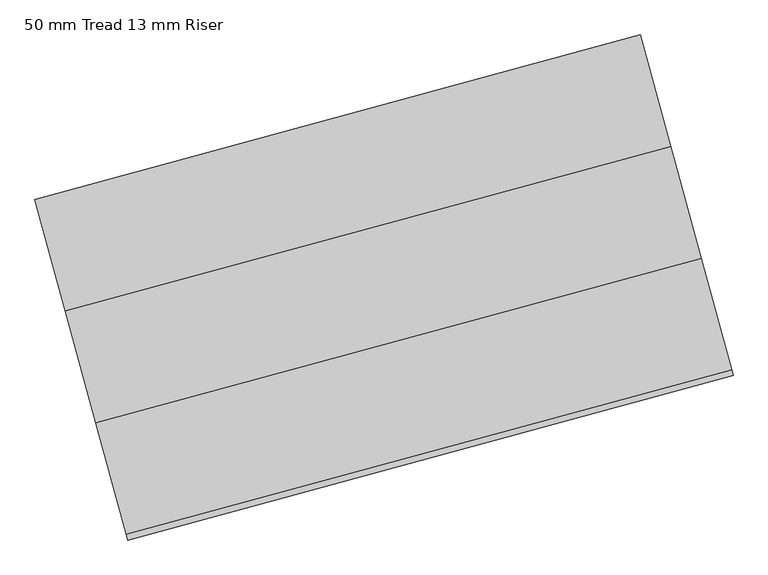
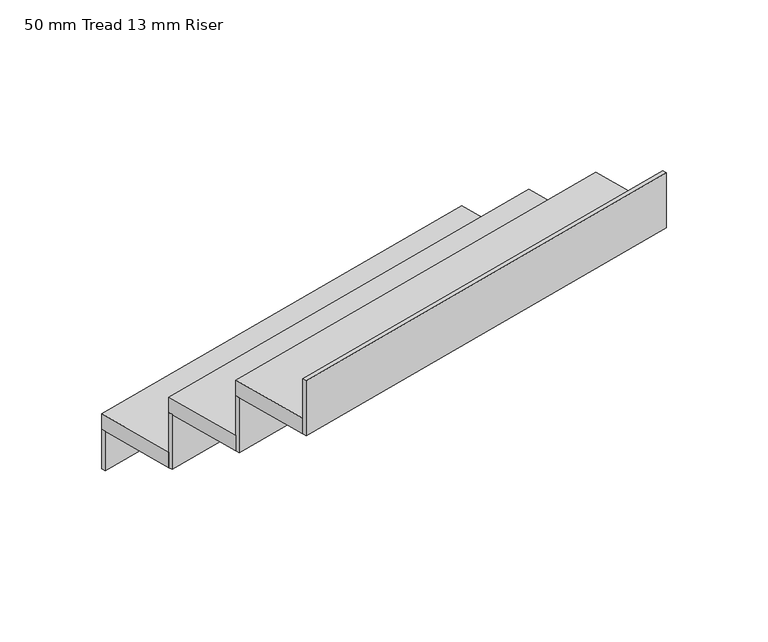
"""IFC4 building model written with IfcOpenShell, lengths in millimetres: stair flight geometry, 50 mm Tread 13 mm Riser."""

from ifc_helpers import new_model, si_unit, frame, origin, origin_with_axes, place, context, project, spatial, polyline, outline, extrude, source, transform, mapped, element, save


def stair_flight_50_mm_tread_13_mm_riser_0c183ba8(model_context):
    return source(origin(), model_context, "Body", "SweptSolid", [
        extrude(outline(polyline([(108051.2995246, 19041.6344713), (108048.0209141, 19053.6968389), (109354.4653046, 19408.7948073), (109357.743915, 19396.7324397), (108051.2995246, 19041.6344713)])), origin_with_axes(), (0.0, 0.0, 1.0), 127.7777778),
        extrude(outline(polyline([(109420.0375138, 19167.5474542), (108113.5931234, 18812.4494858), (108048.0209141, 19053.6968389), (109354.4653046, 19408.7948073), (109420.0375138, 19167.5474542)])), frame((0.0, 0.0, 127.7777778), z_axis=(0.0, 0.0, 1.0), x_axis=(1.0, 0.0, 0.0)), (0.0, 0.0, 1.0), 50.0),
        extrude(outline(polyline([(108116.8717338, 18800.3871182), (108113.5931234, 18812.4494858), (109420.0375138, 19167.5474542), (109423.3161243, 19155.4850866), (108116.8717338, 18800.3871182)])), frame((0.0, 0.0, 127.7777778), z_axis=(0.0, 0.0, 1.0), x_axis=(1.0, 0.0, 0.0)), (0.0, 0.0, 1.0), 177.7777778),
        extrude(outline(polyline([(109485.6097231, 18926.3001011), (108179.1653326, 18571.2021328), (108113.5931234, 18812.4494858), (109420.0375138, 19167.5474542), (109485.6097231, 18926.3001011)])), frame((0.0, 0.0, 305.5555556), z_axis=(0.0, 0.0, 1.0), x_axis=(1.0, 0.0, 0.0)), (0.0, 0.0, 1.0), 50.0),
        extrude(outline(polyline([(108182.4439431, 18559.1397651), (108179.1653326, 18571.2021328), (109485.6097231, 18926.3001011), (109488.8883335, 18914.2377335), (108182.4439431, 18559.1397651)])), frame((0.0, 0.0, 305.5555556), z_axis=(0.0, 0.0, 1.0), x_axis=(1.0, 0.0, 0.0)), (0.0, 0.0, 1.0), 177.7777778),
        extrude(outline(polyline([(108248.0161523, 18317.892412), (108244.7375419, 18329.9547797), (109551.1819323, 18685.052748), (109554.4605428, 18672.9903804), (108248.0161523, 18317.892412)])), frame((0.0, 0.0, 483.3333333), z_axis=(0.0, 0.0, 1.0), x_axis=(1.0, 0.0, 0.0)), (0.0, 0.0, 1.0), 177.7777778),
        extrude(outline(polyline([(109551.1819323, 18685.052748), (108244.7375419, 18329.9547797), (108179.1653326, 18571.2021328), (109485.6097231, 18926.3001011), (109551.1819323, 18685.052748)])), frame((0.0, 0.0, 483.3333333), z_axis=(0.0, 0.0, 1.0), x_axis=(1.0, 0.0, 0.0)), (0.0, 0.0, 1.0), 50.0),
    ])


if __name__ == "__main__":
    model = new_model("IFC4")
    model_context = context("Model", 3, world=origin())
    ifc_project = project(units=[si_unit("LENGTHUNIT", "METRE", prefix="MILLI")], contexts=[model_context])
    site = spatial("IfcSite", under=ifc_project)
    building = spatial("IfcBuilding", under=site)
    placement = place(None, origin())
    stair_flight_50_mm_tread_13_mm_riser_shape = stair_flight_50_mm_tread_13_mm_riser_0c183ba8(model_context)
    element("IfcStairFlight", 1, ObjectType="50 mm Tread 13 mm Riser", at=placement, inside=building, context=model_context, shape_type="MappedRepresentation", body=[
        mapped(stair_flight_50_mm_tread_13_mm_riser_shape, transform((0.0, 0.0, 0.0), x_axis=(1.0, 0.0, 0.0), y_axis=(0.0, 1.0, 0.0), z_axis=(0.0, 0.0, 1.0))),
    ])
    save(model, "model.ifc")
